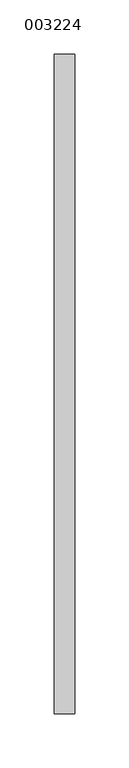
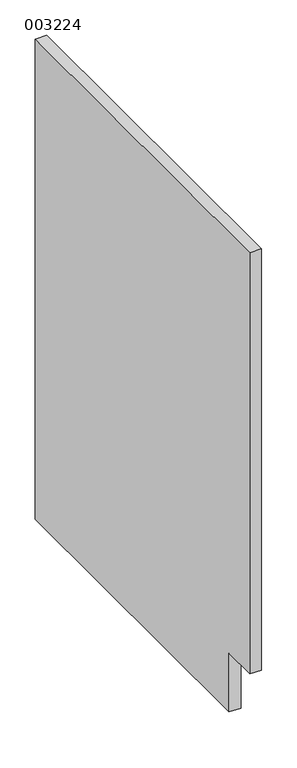
"""IFC4 building model written with IfcOpenShell, lengths in millimetres: furniture geometry, 003224."""

import ifcopenshell
import ifcopenshell.guid

model = None  # the IFC model being written
_history = None  # IfcOwnerHistory: only IFC2X3 demands one
_inside = {}  # id of a spatial element -> (the spatial element, [elements in it])
_under = {}  # id of a project, library or spatial element -> (it, [spatial elements below it])
_declared = {}  # id of a project -> (the project, [libraries it declares])
_typed = {}  # id of a type object -> (the type object, [elements of that type])
_made_of = {}  # id of a material, layer set ... -> (it, [elements and type objects made of it])


def new_model(schema):
    """Start an empty IFC model of exactly this schema.

    Asked for "IFC4X3", IfcOpenShell would pick the latest addendum, in which some entities
    have other attributes; the version numbers below select the first issue.
    IFC2X3 requires an IfcOwnerHistory on every rooted entity: one is made here for all.
    """
    global model, _history
    if schema == "IFC4X3":
        model = ifcopenshell.file(schema_version=(4, 3, 0, 0))
    else:
        model = ifcopenshell.file(schema=schema)
    _inside.clear()
    _under.clear()
    _declared.clear()
    _typed.clear()
    _made_of.clear()
    _history = None
    if model.schema == "IFC2X3":
        org = make("IfcOrganization", Name="unknown")
        user = make(
            "IfcPersonAndOrganization",
            ThePerson=make("IfcPerson", FamilyName="unknown"),
            TheOrganization=org,
        )
        app = make(
            "IfcApplication",
            ApplicationDeveloper=org,
            Version="unknown",
            ApplicationFullName="unknown",
            ApplicationIdentifier="unknown",
        )
        _history = make(
            "IfcOwnerHistory",
            OwningUser=user,
            OwningApplication=app,
            ChangeAction="ADDED",
            CreationDate=0,
        )
    return model


def make(cls, **values):
    """One entity of the class cls with the attributes given. An attribute that is None is left unset."""
    return model.create_entity(
        cls, **{name: value for name, value in values.items() if value is not None}
    )


def rooted(cls, **values):
    """An entity with a GlobalId (a new one), such as an element, a storey or a relation."""
    return make(cls, GlobalId=ifcopenshell.guid.new(), OwnerHistory=_history, **values)


def si_unit(unit_type, name, prefix=None):
    """IfcSIUnit, for example si_unit("LENGTHUNIT", "METRE", prefix="MILLI")."""
    return make("IfcSIUnit", UnitType=unit_type, Prefix=prefix, Name=name)


def assignment(units):
    """IfcUnitAssignment: the units of a project."""
    return None if units is None else make("IfcUnitAssignment", Units=units)


def point(xyz):
    """IfcCartesianPoint."""
    return None if xyz is None else make("IfcCartesianPoint", Coordinates=xyz)


def direction(xyz):
    """IfcDirection."""
    return None if xyz is None else make("IfcDirection", DirectionRatios=xyz)


def frame(location, z_axis=None, x_axis=None):
    """IfcAxis2Placement3D, a coordinate frame: its origin and axes. An axis left out is left unset."""
    return make(
        "IfcAxis2Placement3D",
        Location=point(location),
        Axis=direction(z_axis),
        RefDirection=direction(x_axis),
    )


def origin():
    """The frame at (0, 0, 0) with its axes left unset."""
    return frame((0.0, 0.0, 0.0))


def place(relative_to, where):
    """IfcLocalPlacement: puts the frame where relative to a parent placement (None: the world)."""
    return make(
        "IfcLocalPlacement", PlacementRelTo=relative_to, RelativePlacement=where
    )


def context(
    kind, dimensions, precision=None, world=None, true_north=None, identifier=None
):
    """IfcGeometricRepresentationContext, for example the 3D "Model" context."""
    return make(
        "IfcGeometricRepresentationContext",
        ContextIdentifier=identifier,
        ContextType=kind,
        CoordinateSpaceDimension=dimensions,
        Precision=precision,
        WorldCoordinateSystem=world,
        TrueNorth=true_north,
    )


def project(units=None, contexts=None):
    """IfcProject with its units and contexts."""
    return rooted(
        "IfcProject",
        Name="project",
        RepresentationContexts=contexts,
        UnitsInContext=assignment(units),
    )


def spatial(cls, under=None, at=None, **own):
    """A site, building, storey or space (cls), placed at a placement, below another one or the project."""
    s = rooted(cls, ObjectPlacement=at, **own)
    if under is not None:
        _under.setdefault(under.id(), (under, []))[1].append(s)
    return s


def polyline(points):
    """IfcPolyline through the points."""
    return make("IfcPolyline", Points=[point(p) for p in points])


def outline(outer, holes=None, kind="AREA"):
    """IfcArbitraryClosedProfileDef: a profile drawn as a closed curve; with holes, ...WithVoids."""
    if holes is None:
        return make("IfcArbitraryClosedProfileDef", ProfileType=kind, OuterCurve=outer)
    return make(
        "IfcArbitraryProfileDefWithVoids",
        ProfileType=kind,
        OuterCurve=outer,
        InnerCurves=holes,
    )


def extrude(swept, where, along, depth):
    """IfcExtrudedAreaSolid: the profile swept, set in the frame where, extruded along a direction by depth."""
    return make(
        "IfcExtrudedAreaSolid",
        SweptArea=swept,
        Position=where,
        ExtrudedDirection=direction(along),
        Depth=depth,
    )


def shape(context_of_items, identifier, shape_type, items):
    """IfcShapeRepresentation: the items that make up one representation, for example the "Body"."""
    return make(
        "IfcShapeRepresentation",
        ContextOfItems=context_of_items,
        RepresentationIdentifier=identifier,
        RepresentationType=shape_type,
        Items=items,
    )


def source(mapping_origin, context_of_items, identifier, shape_type, items):
    """IfcRepresentationMap: a shape defined once, which mapped items show again and again."""
    return make(
        "IfcRepresentationMap",
        MappingOrigin=mapping_origin,
        MappedRepresentation=shape(context_of_items, identifier, shape_type, items),
    )


def transform(
    local_origin,
    x_axis=None,
    y_axis=None,
    z_axis=None,
    scale=None,
    scale2=None,
    scale3=None,
    uniform=True,
):
    """IfcCartesianTransformationOperator3D, or its non-uniform kind. x_axis, y_axis, z_axis: its Axis1, 2, 3."""
    if uniform:
        return make(
            "IfcCartesianTransformationOperator3D",
            Axis1=direction(x_axis),
            Axis2=direction(y_axis),
            LocalOrigin=point(local_origin),
            Scale=scale,
            Axis3=direction(z_axis),
        )
    return make(
        "IfcCartesianTransformationOperator3DnonUniform",
        Axis1=direction(x_axis),
        Axis2=direction(y_axis),
        LocalOrigin=point(local_origin),
        Scale=scale,
        Axis3=direction(z_axis),
        Scale2=scale2,
        Scale3=scale3,
    )


def mapped(mapping_source, mapping_target):
    """IfcMappedItem: shows the shape of a source again, moved by a transform."""
    return make(
        "IfcMappedItem", MappingSource=mapping_source, MappingTarget=mapping_target
    )


def made_of(thing, what):
    """Note that an element or type object is made of a material, layer set ...; save() writes the relation."""
    if what is not None:
        _made_of.setdefault(what.id(), (what, []))[1].append(thing)
    return thing


def element(
    cls,
    number,
    at=None,
    inside=None,
    cuts=None,
    type_object=None,
    material=None,
    context=None,
    identifier="Body",
    shape_type=None,
    held_by="IfcProductDefinitionShape",
    body=None,
    shapes=None,
    **own,
):
    """One element of the class cls, such as IfcWall. Its Tag is "e" and its number.

    at: its placement. inside: the storey or other place that contains it. cuts: it is an
    opening in that element (IfcRelVoidsElement). A single representation is given by context,
    identifier, shape_type and body (its items); several are given by shapes. held_by: the class
    of the entity that holds the representations. save() writes the other relations.
    """
    e = rooted(cls, Tag="e%d" % number, ObjectPlacement=at, **own)
    if body is not None:
        shapes = [shape(context, identifier, shape_type, body)]
    if shapes is not None:
        e.Representation = make(held_by, Representations=shapes)
    if inside is not None:
        _inside.setdefault(inside.id(), (inside, []))[1].append(e)
    if cuts is not None:
        rooted(
            "IfcRelVoidsElement", RelatingBuildingElement=cuts, RelatedOpeningElement=e
        )
    if type_object is not None:
        _typed.setdefault(type_object.id(), (type_object, []))[1].append(e)
    return made_of(e, material)


def aggregate(whole, parts):
    """IfcRelAggregates: a whole, such as a stair, and the parts it consists of."""
    return rooted("IfcRelAggregates", RelatingObject=whole, RelatedObjects=parts)


def save(model, path):
    """Write the relations noted so far, then the file.

    IfcRelAggregates (storeys below a building ...), IfcRelContainedInSpatialStructure (elements
    in a storey), IfcRelDefinesByType, IfcRelAssociatesMaterial and IfcRelDeclares: one each for
    every whole, place, type object, material and project.
    """
    for whole, parts in _under.values():
        aggregate(whole, parts)
    for where, things in _inside.values():
        rooted(
            "IfcRelContainedInSpatialStructure",
            RelatedElements=things,
            RelatingStructure=where,
        )
    for kind, things in _typed.values():
        rooted("IfcRelDefinesByType", RelatedObjects=things, RelatingType=kind)
    for what, things in _made_of.values():
        rooted("IfcRelAssociatesMaterial", RelatedObjects=things, RelatingMaterial=what)
    for by, libraries in _declared.values():
        rooted("IfcRelDeclares", RelatingContext=by, RelatedDefinitions=libraries)
    model.write(path)


def furniture_003224_8a53846b(model_context):
    return source(origin(), model_context, "Body", "SweptSolid", [
        extrude(outline(polyline([(304.0524272, 829.46875), (304.0524272, 0.0), (-245.8, 0.0), (-245.8, 101.6), (-304.8, 101.6), (-304.8, 829.46875), (304.0524272, 829.46875)])), frame((-9.45, 0.0, 0.0), z_axis=(1.0, 0.0, 0.0), x_axis=(0.0, 1.0, 0.0)), (0.0, 0.0, 1.0), 19.05),
    ])


if __name__ == "__main__":
    model = new_model("IFC4")
    model_context = context("Model", 3, world=origin())
    ifc_project = project(units=[si_unit("LENGTHUNIT", "METRE", prefix="MILLI")], contexts=[model_context])
    site = spatial("IfcSite", under=ifc_project)
    building = spatial("IfcBuilding", under=site)
    placement = place(None, origin())
    furniture_003224_shape = furniture_003224_8a53846b(model_context)
    element("IfcFurniture", 1, ObjectType="003224", at=placement, inside=building, context=model_context, shape_type="MappedRepresentation", body=[
        mapped(furniture_003224_shape, transform((0.0, 0.0, 0.0), x_axis=(1.0, 0.0, 0.0), y_axis=(0.0, 1.0, 0.0), z_axis=(0.0, 0.0, 1.0))),
    ])
    save(model, "model.ifc")
